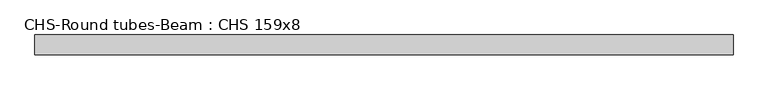
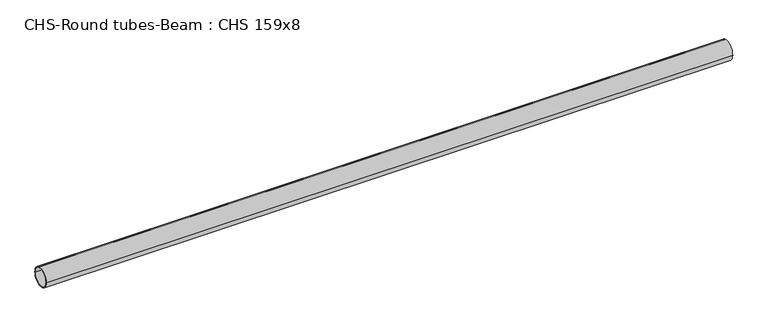
"""IFC4 building model written with IfcOpenShell, lengths in millimetres: beam geometry, CHS-Round tubes-Beam : CHS 159x8."""

from ifc_helpers import new_model, si_unit, point, frame, origin, origin_2d, place, context, project, spatial, circle_curve, trimmed, segment, composite_curve, outline, extrude, source, transform, mapped, element, save


def chs_round_tubes_beam_chs_159x8_141d182e(model_context):
    return source(origin(), model_context, "Body", "SweptSolid", [
        extrude(outline(composite_curve([segment(trimmed(circle_curve(origin_2d(), 79.5), [point((79.5, 0.0))], [point((-79.5, 0.0))], False, "CARTESIAN"), True, "CONTINUOUS"), segment(trimmed(circle_curve(origin_2d(), 79.5), [point((-79.5, 0.0))], [point((79.5, 0.0))], False, "CARTESIAN"), True, "CONTINUOUS")], self_intersect=False), holes=[composite_curve([segment(trimmed(circle_curve(origin_2d(), 71.5), [point((71.5, 0.0))], [point((-71.5, 0.0))], True, "CARTESIAN"), True, "CONTINUOUS"), segment(trimmed(circle_curve(origin_2d(), 71.5), [point((-71.5, 0.0))], [point((71.5, 0.0))], True, "CARTESIAN"), True, "CONTINUOUS")], self_intersect=False)]), frame((-2803.359968, 0.0, 0.0), z_axis=(1.0, 0.0, 0.0), x_axis=(0.0, 1.0, 0.0)), (0.0, 0.0, 1.0), 5608.1407801),
    ])


if __name__ == "__main__":
    model = new_model("IFC4")
    model_context = context("Model", 3, world=origin())
    ifc_project = project(units=[si_unit("LENGTHUNIT", "METRE", prefix="MILLI")], contexts=[model_context])
    site = spatial("IfcSite", under=ifc_project)
    building = spatial("IfcBuilding", under=site)
    placement = place(None, origin())
    chs_round_tubes_beam_chs_159x8_shape = chs_round_tubes_beam_chs_159x8_141d182e(model_context)
    element("IfcBeam", 1, ObjectType="CHS-Round tubes-Beam : CHS 159x8", at=placement, inside=building, context=model_context, shape_type="MappedRepresentation", body=[
        mapped(chs_round_tubes_beam_chs_159x8_shape, transform((0.0, 0.0, 0.0), x_axis=(1.0, 0.0, 0.0), y_axis=(0.0, 1.0, 0.0), z_axis=(0.0, 0.0, 1.0))),
    ])
    save(model, "model.ifc")
